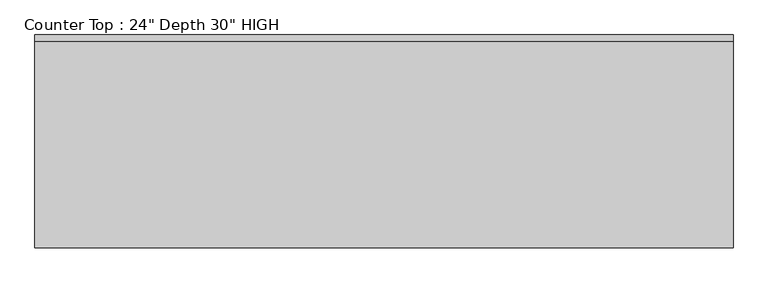
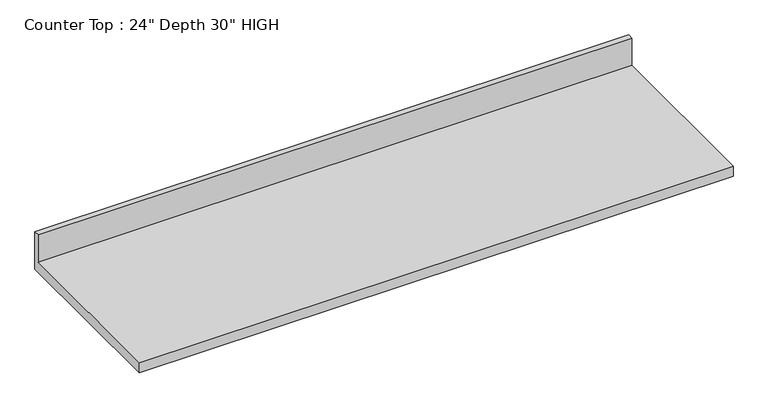
"""IFC4 building model written with IfcOpenShell, lengths in millimetres: furniture geometry."""

from ifc_helpers import new_model, si_unit, frame, origin, place, context, project, spatial, polyline, outline, extrude, source, transform, mapped, element, save


def furniture_3b06adc2(model_context):
    return source(origin(), model_context, "Body", "SweptSolid", [
        extrude(outline(polyline([(0.0, 965.2), (0.0, 825.5), (-635.0, 825.5), (-635.0, 863.6), (-19.05, 863.6), (-19.05, 965.2), (0.0, 965.2)])), frame((-1200.4622951, 0.0, 0.0), z_axis=(1.0, 0.0, 0.0), x_axis=(0.0, 1.0, 0.0)), (0.0, 0.0, 1.0), 2084.3875),
    ])


if __name__ == "__main__":
    model = new_model("IFC4")
    model_context = context("Model", 3, world=origin())
    ifc_project = project(units=[si_unit("LENGTHUNIT", "METRE", prefix="MILLI")], contexts=[model_context])
    site = spatial("IfcSite", under=ifc_project)
    building = spatial("IfcBuilding", under=site)
    placement = place(None, origin())
    furniture_shape = furniture_3b06adc2(model_context)
    element("IfcFurniture", 1, ObjectType="Counter Top : 24\" Depth 30\" HIGH", at=placement, inside=building, context=model_context, shape_type="MappedRepresentation", body=[
        mapped(furniture_shape, transform((0.0, 0.0, 0.0), x_axis=(1.0, 0.0, 0.0), y_axis=(0.0, 1.0, 0.0), z_axis=(0.0, 0.0, 1.0))),
    ])
    save(model, "model.ifc")
